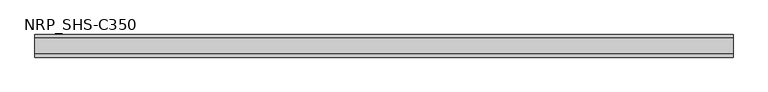
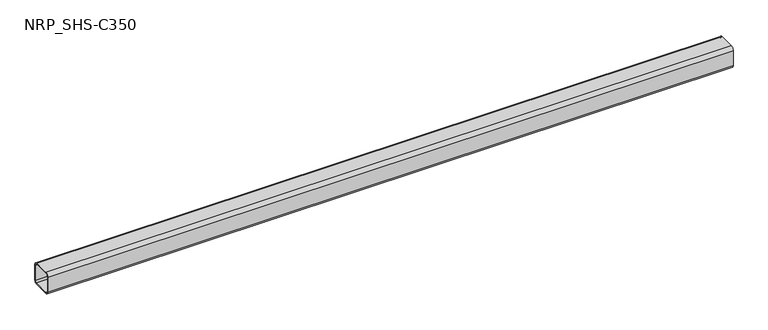
"""IFC4 building model written with IfcOpenShell, lengths in millimetres: member geometry, NRP_SHS-C350."""

from ifc_helpers import new_model, si_unit, point, frame, frame_2d, origin, place, context, project, spatial, polyline, circle_curve, trimmed, segment, composite_curve, outline, extrude, source, transform, mapped, element, save


def nrp_shs_c350_97bec22b(model_context):
    return source(origin(), model_context, "Body", "SweptSolid", [
        extrude(outline(composite_curve([segment(trimmed(circle_curve(frame_2d((-32.0, 32.0)), 12.5), [point((-44.5, 32.0))], [point((-32.0, 44.5))], False, "CARTESIAN"), True, "CONTINUOUS"), segment(polyline([(-32.0, 44.5), (32.0, 44.5)]), True, "CONTINUOUS"), segment(trimmed(circle_curve(frame_2d((32.0, 32.0)), 12.5), [point((32.0, 44.5))], [point((44.5, 32.0))], False, "CARTESIAN"), True, "CONTINUOUS"), segment(polyline([(44.5, 32.0), (44.5, -32.0)]), True, "CONTINUOUS"), segment(trimmed(circle_curve(frame_2d((32.0, -32.0)), 12.5), [point((44.5, -32.0))], [point((32.0, -44.5))], False, "CARTESIAN"), True, "CONTINUOUS"), segment(polyline([(32.0, -44.5), (-32.0, -44.5)]), True, "CONTINUOUS"), segment(trimmed(circle_curve(frame_2d((-32.0, -32.0)), 12.5), [point((-32.0, -44.5))], [point((-44.5, -32.0))], False, "CARTESIAN"), True, "CONTINUOUS"), segment(polyline([(-44.5, -32.0), (-44.5, 32.0)]), True, "CONTINUOUS")], self_intersect=False), holes=[composite_curve([segment(polyline([(32.0, 39.5), (-32.0, 39.5)]), True, "CONTINUOUS"), segment(trimmed(circle_curve(frame_2d((-32.0, 32.0)), 7.5), [point((-32.0, 39.5))], [point((-39.5, 32.0))], True, "CARTESIAN"), True, "CONTINUOUS"), segment(polyline([(-39.5, 32.0), (-39.5, -32.0)]), True, "CONTINUOUS"), segment(trimmed(circle_curve(frame_2d((-32.0, -32.0)), 7.5), [point((-39.5, -32.0))], [point((-32.0, -39.5))], True, "CARTESIAN"), True, "CONTINUOUS"), segment(polyline([(-32.0, -39.5), (32.0, -39.5)]), True, "CONTINUOUS"), segment(trimmed(circle_curve(frame_2d((32.0, -32.0)), 7.5), [point((32.0, -39.5))], [point((39.5, -32.0))], True, "CARTESIAN"), True, "CONTINUOUS"), segment(polyline([(39.5, -32.0), (39.5, 32.0)]), True, "CONTINUOUS"), segment(trimmed(circle_curve(frame_2d((32.0, 32.0)), 7.5), [point((39.5, 32.0))], [point((32.0, 39.5))], True, "CARTESIAN"), True, "CONTINUOUS")], self_intersect=False)]), frame((-1372.0, 0.0, 0.0), z_axis=(1.0, 0.0, 0.0), x_axis=(0.0, 1.0, 0.0)), (0.0, 0.0, 1.0), 2749.0),
    ])


if __name__ == "__main__":
    model = new_model("IFC4")
    model_context = context("Model", 3, world=origin())
    ifc_project = project(units=[si_unit("LENGTHUNIT", "METRE", prefix="MILLI")], contexts=[model_context])
    site = spatial("IfcSite", under=ifc_project)
    building = spatial("IfcBuilding", under=site)
    placement = place(None, origin())
    nrp_shs_c350_shape = nrp_shs_c350_97bec22b(model_context)
    element("IfcMember", 1, ObjectType="NRP_SHS-C350", at=placement, inside=building, context=model_context, shape_type="MappedRepresentation", body=[
        mapped(nrp_shs_c350_shape, transform((0.0, 0.0, 0.0), x_axis=(1.0, 0.0, 0.0), y_axis=(0.0, 1.0, 0.0), z_axis=(0.0, 0.0, 1.0))),
    ])
    save(model, "model.ifc")
